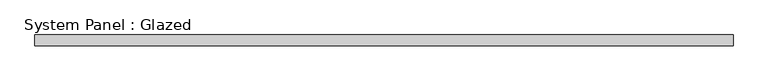
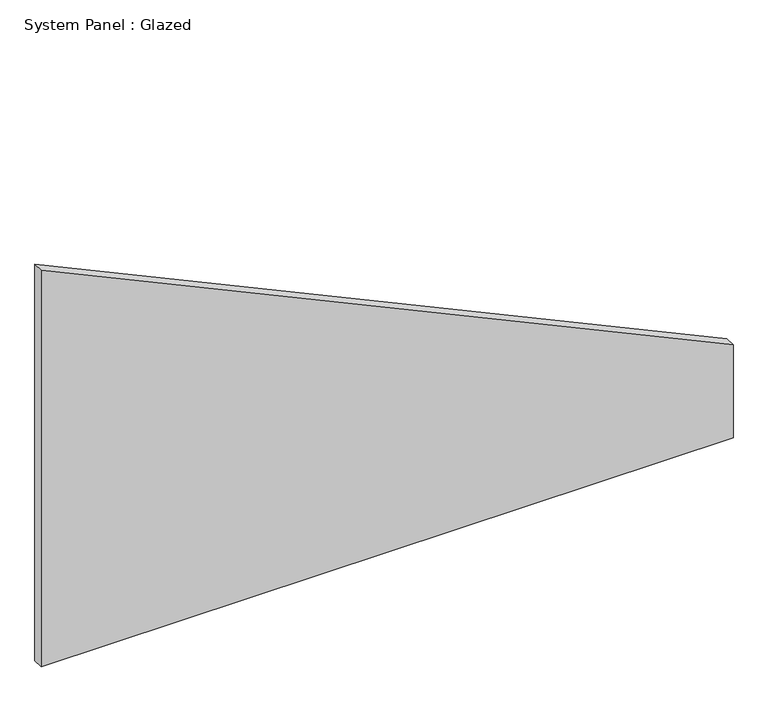
"""IFC4 building model written with IfcOpenShell, lengths in millimetres: plate geometry, System Panel : Glazed."""

import ifcopenshell
import ifcopenshell.guid

model = None  # the IFC model being written
_history = None  # IfcOwnerHistory: only IFC2X3 demands one
_inside = {}  # id of a spatial element -> (the spatial element, [elements in it])
_under = {}  # id of a project, library or spatial element -> (it, [spatial elements below it])
_declared = {}  # id of a project -> (the project, [libraries it declares])
_typed = {}  # id of a type object -> (the type object, [elements of that type])
_made_of = {}  # id of a material, layer set ... -> (it, [elements and type objects made of it])


def new_model(schema):
    """Start an empty IFC model of exactly this schema.

    Asked for "IFC4X3", IfcOpenShell would pick the latest addendum, in which some entities
    have other attributes; the version numbers below select the first issue.
    IFC2X3 requires an IfcOwnerHistory on every rooted entity: one is made here for all.
    """
    global model, _history
    if schema == "IFC4X3":
        model = ifcopenshell.file(schema_version=(4, 3, 0, 0))
    else:
        model = ifcopenshell.file(schema=schema)
    _inside.clear()
    _under.clear()
    _declared.clear()
    _typed.clear()
    _made_of.clear()
    _history = None
    if model.schema == "IFC2X3":
        org = make("IfcOrganization", Name="unknown")
        user = make(
            "IfcPersonAndOrganization",
            ThePerson=make("IfcPerson", FamilyName="unknown"),
            TheOrganization=org,
        )
        app = make(
            "IfcApplication",
            ApplicationDeveloper=org,
            Version="unknown",
            ApplicationFullName="unknown",
            ApplicationIdentifier="unknown",
        )
        _history = make(
            "IfcOwnerHistory",
            OwningUser=user,
            OwningApplication=app,
            ChangeAction="ADDED",
            CreationDate=0,
        )
    return model


def make(cls, **values):
    """One entity of the class cls with the attributes given. An attribute that is None is left unset."""
    return model.create_entity(
        cls, **{name: value for name, value in values.items() if value is not None}
    )


def rooted(cls, **values):
    """An entity with a GlobalId (a new one), such as an element, a storey or a relation."""
    return make(cls, GlobalId=ifcopenshell.guid.new(), OwnerHistory=_history, **values)


def si_unit(unit_type, name, prefix=None):
    """IfcSIUnit, for example si_unit("LENGTHUNIT", "METRE", prefix="MILLI")."""
    return make("IfcSIUnit", UnitType=unit_type, Prefix=prefix, Name=name)


def assignment(units):
    """IfcUnitAssignment: the units of a project."""
    return None if units is None else make("IfcUnitAssignment", Units=units)


def point(xyz):
    """IfcCartesianPoint."""
    return None if xyz is None else make("IfcCartesianPoint", Coordinates=xyz)


def direction(xyz):
    """IfcDirection."""
    return None if xyz is None else make("IfcDirection", DirectionRatios=xyz)


def frame(location, z_axis=None, x_axis=None):
    """IfcAxis2Placement3D, a coordinate frame: its origin and axes. An axis left out is left unset."""
    return make(
        "IfcAxis2Placement3D",
        Location=point(location),
        Axis=direction(z_axis),
        RefDirection=direction(x_axis),
    )


def origin():
    """The frame at (0, 0, 0) with its axes left unset."""
    return frame((0.0, 0.0, 0.0))


def place(relative_to, where):
    """IfcLocalPlacement: puts the frame where relative to a parent placement (None: the world)."""
    return make(
        "IfcLocalPlacement", PlacementRelTo=relative_to, RelativePlacement=where
    )


def context(
    kind, dimensions, precision=None, world=None, true_north=None, identifier=None
):
    """IfcGeometricRepresentationContext, for example the 3D "Model" context."""
    return make(
        "IfcGeometricRepresentationContext",
        ContextIdentifier=identifier,
        ContextType=kind,
        CoordinateSpaceDimension=dimensions,
        Precision=precision,
        WorldCoordinateSystem=world,
        TrueNorth=true_north,
    )


def project(units=None, contexts=None):
    """IfcProject with its units and contexts."""
    return rooted(
        "IfcProject",
        Name="project",
        RepresentationContexts=contexts,
        UnitsInContext=assignment(units),
    )


def spatial(cls, under=None, at=None, **own):
    """A site, building, storey or space (cls), placed at a placement, below another one or the project."""
    s = rooted(cls, ObjectPlacement=at, **own)
    if under is not None:
        _under.setdefault(under.id(), (under, []))[1].append(s)
    return s


def polyline(points):
    """IfcPolyline through the points."""
    return make("IfcPolyline", Points=[point(p) for p in points])


def outline(outer, holes=None, kind="AREA"):
    """IfcArbitraryClosedProfileDef: a profile drawn as a closed curve; with holes, ...WithVoids."""
    if holes is None:
        return make("IfcArbitraryClosedProfileDef", ProfileType=kind, OuterCurve=outer)
    return make(
        "IfcArbitraryProfileDefWithVoids",
        ProfileType=kind,
        OuterCurve=outer,
        InnerCurves=holes,
    )


def extrude(swept, where, along, depth):
    """IfcExtrudedAreaSolid: the profile swept, set in the frame where, extruded along a direction by depth."""
    return make(
        "IfcExtrudedAreaSolid",
        SweptArea=swept,
        Position=where,
        ExtrudedDirection=direction(along),
        Depth=depth,
    )


def shape(context_of_items, identifier, shape_type, items):
    """IfcShapeRepresentation: the items that make up one representation, for example the "Body"."""
    return make(
        "IfcShapeRepresentation",
        ContextOfItems=context_of_items,
        RepresentationIdentifier=identifier,
        RepresentationType=shape_type,
        Items=items,
    )


def source(mapping_origin, context_of_items, identifier, shape_type, items):
    """IfcRepresentationMap: a shape defined once, which mapped items show again and again."""
    return make(
        "IfcRepresentationMap",
        MappingOrigin=mapping_origin,
        MappedRepresentation=shape(context_of_items, identifier, shape_type, items),
    )


def transform(
    local_origin,
    x_axis=None,
    y_axis=None,
    z_axis=None,
    scale=None,
    scale2=None,
    scale3=None,
    uniform=True,
):
    """IfcCartesianTransformationOperator3D, or its non-uniform kind. x_axis, y_axis, z_axis: its Axis1, 2, 3."""
    if uniform:
        return make(
            "IfcCartesianTransformationOperator3D",
            Axis1=direction(x_axis),
            Axis2=direction(y_axis),
            LocalOrigin=point(local_origin),
            Scale=scale,
            Axis3=direction(z_axis),
        )
    return make(
        "IfcCartesianTransformationOperator3DnonUniform",
        Axis1=direction(x_axis),
        Axis2=direction(y_axis),
        LocalOrigin=point(local_origin),
        Scale=scale,
        Axis3=direction(z_axis),
        Scale2=scale2,
        Scale3=scale3,
    )


def mapped(mapping_source, mapping_target):
    """IfcMappedItem: shows the shape of a source again, moved by a transform."""
    return make(
        "IfcMappedItem", MappingSource=mapping_source, MappingTarget=mapping_target
    )


def made_of(thing, what):
    """Note that an element or type object is made of a material, layer set ...; save() writes the relation."""
    if what is not None:
        _made_of.setdefault(what.id(), (what, []))[1].append(thing)
    return thing


def element(
    cls,
    number,
    at=None,
    inside=None,
    cuts=None,
    type_object=None,
    material=None,
    context=None,
    identifier="Body",
    shape_type=None,
    held_by="IfcProductDefinitionShape",
    body=None,
    shapes=None,
    **own,
):
    """One element of the class cls, such as IfcWall. Its Tag is "e" and its number.

    at: its placement. inside: the storey or other place that contains it. cuts: it is an
    opening in that element (IfcRelVoidsElement). A single representation is given by context,
    identifier, shape_type and body (its items); several are given by shapes. held_by: the class
    of the entity that holds the representations. save() writes the other relations.
    """
    e = rooted(cls, Tag="e%d" % number, ObjectPlacement=at, **own)
    if body is not None:
        shapes = [shape(context, identifier, shape_type, body)]
    if shapes is not None:
        e.Representation = make(held_by, Representations=shapes)
    if inside is not None:
        _inside.setdefault(inside.id(), (inside, []))[1].append(e)
    if cuts is not None:
        rooted(
            "IfcRelVoidsElement", RelatingBuildingElement=cuts, RelatedOpeningElement=e
        )
    if type_object is not None:
        _typed.setdefault(type_object.id(), (type_object, []))[1].append(e)
    return made_of(e, material)


def aggregate(whole, parts):
    """IfcRelAggregates: a whole, such as a stair, and the parts it consists of."""
    return rooted("IfcRelAggregates", RelatingObject=whole, RelatedObjects=parts)


def save(model, path):
    """Write the relations noted so far, then the file.

    IfcRelAggregates (storeys below a building ...), IfcRelContainedInSpatialStructure (elements
    in a storey), IfcRelDefinesByType, IfcRelAssociatesMaterial and IfcRelDeclares: one each for
    every whole, place, type object, material and project.
    """
    for whole, parts in _under.values():
        aggregate(whole, parts)
    for where, things in _inside.values():
        rooted(
            "IfcRelContainedInSpatialStructure",
            RelatedElements=things,
            RelatingStructure=where,
        )
    for kind, things in _typed.values():
        rooted("IfcRelDefinesByType", RelatedObjects=things, RelatingType=kind)
    for what, things in _made_of.values():
        rooted("IfcRelAssociatesMaterial", RelatedObjects=things, RelatingMaterial=what)
    for by, libraries in _declared.values():
        rooted("IfcRelDeclares", RelatingContext=by, RelatedDefinitions=libraries)
    model.write(path)


def system_panel_glazed_6c3c7406(model_context):
    return source(origin(), model_context, "Body", "SweptSolid", [
        extrude(outline(polyline([(0.0, -808.6842105), (0.0, 808.6842105), (229.8988894, 808.6842105), (980.1965585, -808.6842105), (0.0, -808.6842105)])), frame((0.0, 52.5, 0.0), z_axis=(0.0, 1.0, 0.0), x_axis=(0.0, 0.0, 1.0)), (0.0, 0.0, 1.0), 25.0),
    ])


if __name__ == "__main__":
    model = new_model("IFC4")
    model_context = context("Model", 3, world=origin())
    ifc_project = project(units=[si_unit("LENGTHUNIT", "METRE", prefix="MILLI")], contexts=[model_context])
    site = spatial("IfcSite", under=ifc_project)
    building = spatial("IfcBuilding", under=site)
    placement = place(None, origin())
    system_panel_glazed_shape = system_panel_glazed_6c3c7406(model_context)
    element("IfcPlate", 1, ObjectType="System Panel : Glazed", at=placement, inside=building, context=model_context, shape_type="MappedRepresentation", body=[
        mapped(system_panel_glazed_shape, transform((0.0, 0.0, 0.0), x_axis=(1.0, 0.0, 0.0), y_axis=(0.0, 1.0, 0.0), z_axis=(0.0, 0.0, 1.0))),
    ])
    save(model, "model.ifc")
